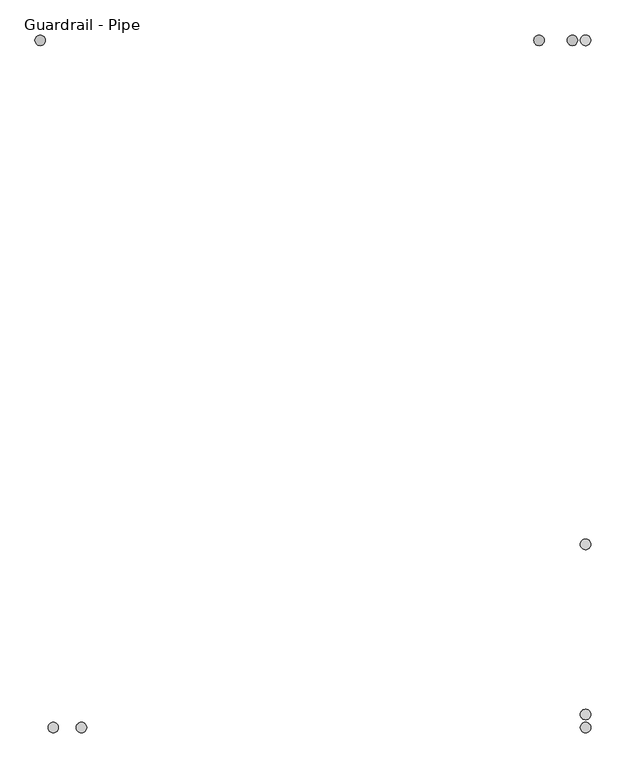
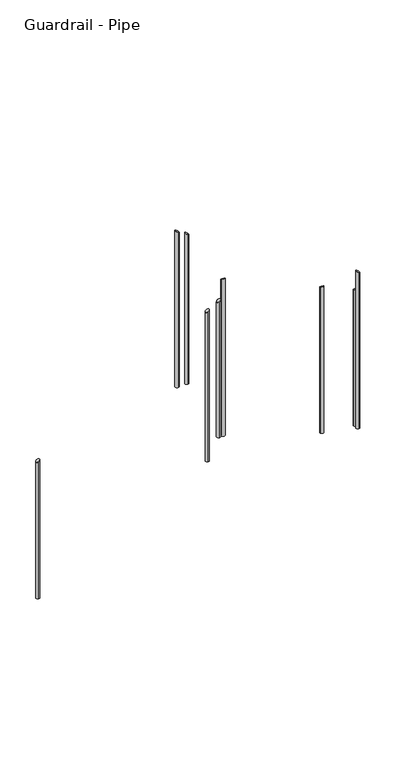
"""IFC4 building model written with IfcOpenShell, lengths in millimetres: railing geometry, Guardrail - Pipe."""

import ifcopenshell
import ifcopenshell.guid

model = None  # the IFC model being written
_history = None  # IfcOwnerHistory: only IFC2X3 demands one
_inside = {}  # id of a spatial element -> (the spatial element, [elements in it])
_under = {}  # id of a project, library or spatial element -> (it, [spatial elements below it])
_declared = {}  # id of a project -> (the project, [libraries it declares])
_typed = {}  # id of a type object -> (the type object, [elements of that type])
_made_of = {}  # id of a material, layer set ... -> (it, [elements and type objects made of it])


def new_model(schema):
    """Start an empty IFC model of exactly this schema.

    Asked for "IFC4X3", IfcOpenShell would pick the latest addendum, in which some entities
    have other attributes; the version numbers below select the first issue.
    IFC2X3 requires an IfcOwnerHistory on every rooted entity: one is made here for all.
    """
    global model, _history
    if schema == "IFC4X3":
        model = ifcopenshell.file(schema_version=(4, 3, 0, 0))
    else:
        model = ifcopenshell.file(schema=schema)
    _inside.clear()
    _under.clear()
    _declared.clear()
    _typed.clear()
    _made_of.clear()
    _history = None
    if model.schema == "IFC2X3":
        org = make("IfcOrganization", Name="unknown")
        user = make(
            "IfcPersonAndOrganization",
            ThePerson=make("IfcPerson", FamilyName="unknown"),
            TheOrganization=org,
        )
        app = make(
            "IfcApplication",
            ApplicationDeveloper=org,
            Version="unknown",
            ApplicationFullName="unknown",
            ApplicationIdentifier="unknown",
        )
        _history = make(
            "IfcOwnerHistory",
            OwningUser=user,
            OwningApplication=app,
            ChangeAction="ADDED",
            CreationDate=0,
        )
    return model


def make(cls, **values):
    """One entity of the class cls with the attributes given. An attribute that is None is left unset."""
    return model.create_entity(
        cls, **{name: value for name, value in values.items() if value is not None}
    )


def rooted(cls, **values):
    """An entity with a GlobalId (a new one), such as an element, a storey or a relation."""
    return make(cls, GlobalId=ifcopenshell.guid.new(), OwnerHistory=_history, **values)


def si_unit(unit_type, name, prefix=None):
    """IfcSIUnit, for example si_unit("LENGTHUNIT", "METRE", prefix="MILLI")."""
    return make("IfcSIUnit", UnitType=unit_type, Prefix=prefix, Name=name)


def assignment(units):
    """IfcUnitAssignment: the units of a project."""
    return None if units is None else make("IfcUnitAssignment", Units=units)


def point(xyz):
    """IfcCartesianPoint."""
    return None if xyz is None else make("IfcCartesianPoint", Coordinates=xyz)


def direction(xyz):
    """IfcDirection."""
    return None if xyz is None else make("IfcDirection", DirectionRatios=xyz)


def frame(location, z_axis=None, x_axis=None):
    """IfcAxis2Placement3D, a coordinate frame: its origin and axes. An axis left out is left unset."""
    return make(
        "IfcAxis2Placement3D",
        Location=point(location),
        Axis=direction(z_axis),
        RefDirection=direction(x_axis),
    )


def origin():
    """The frame at (0, 0, 0) with its axes left unset."""
    return frame((0.0, 0.0, 0.0))


def place(relative_to, where):
    """IfcLocalPlacement: puts the frame where relative to a parent placement (None: the world)."""
    return make(
        "IfcLocalPlacement", PlacementRelTo=relative_to, RelativePlacement=where
    )


def context(
    kind, dimensions, precision=None, world=None, true_north=None, identifier=None
):
    """IfcGeometricRepresentationContext, for example the 3D "Model" context."""
    return make(
        "IfcGeometricRepresentationContext",
        ContextIdentifier=identifier,
        ContextType=kind,
        CoordinateSpaceDimension=dimensions,
        Precision=precision,
        WorldCoordinateSystem=world,
        TrueNorth=true_north,
    )


def project(units=None, contexts=None):
    """IfcProject with its units and contexts."""
    return rooted(
        "IfcProject",
        Name="project",
        RepresentationContexts=contexts,
        UnitsInContext=assignment(units),
    )


def spatial(cls, under=None, at=None, **own):
    """A site, building, storey or space (cls), placed at a placement, below another one or the project."""
    s = rooted(cls, ObjectPlacement=at, **own)
    if under is not None:
        _under.setdefault(under.id(), (under, []))[1].append(s)
    return s


def circle_curve(where, radius):
    """IfcCircle in the frame where."""
    return make("IfcCircle", Position=where, Radius=radius)


def ellipse_curve(where, semi_axis1, semi_axis2):
    """IfcEllipse in the frame where."""
    return make(
        "IfcEllipse", Position=where, SemiAxis1=semi_axis1, SemiAxis2=semi_axis2
    )


def shape(context_of_items, identifier, shape_type, items):
    """IfcShapeRepresentation: the items that make up one representation, for example the "Body"."""
    return make(
        "IfcShapeRepresentation",
        ContextOfItems=context_of_items,
        RepresentationIdentifier=identifier,
        RepresentationType=shape_type,
        Items=items,
    )


def source(mapping_origin, context_of_items, identifier, shape_type, items):
    """IfcRepresentationMap: a shape defined once, which mapped items show again and again."""
    return make(
        "IfcRepresentationMap",
        MappingOrigin=mapping_origin,
        MappedRepresentation=shape(context_of_items, identifier, shape_type, items),
    )


def transform(
    local_origin,
    x_axis=None,
    y_axis=None,
    z_axis=None,
    scale=None,
    scale2=None,
    scale3=None,
    uniform=True,
):
    """IfcCartesianTransformationOperator3D, or its non-uniform kind. x_axis, y_axis, z_axis: its Axis1, 2, 3."""
    if uniform:
        return make(
            "IfcCartesianTransformationOperator3D",
            Axis1=direction(x_axis),
            Axis2=direction(y_axis),
            LocalOrigin=point(local_origin),
            Scale=scale,
            Axis3=direction(z_axis),
        )
    return make(
        "IfcCartesianTransformationOperator3DnonUniform",
        Axis1=direction(x_axis),
        Axis2=direction(y_axis),
        LocalOrigin=point(local_origin),
        Scale=scale,
        Axis3=direction(z_axis),
        Scale2=scale2,
        Scale3=scale3,
    )


def mapped(mapping_source, mapping_target):
    """IfcMappedItem: shows the shape of a source again, moved by a transform."""
    return make(
        "IfcMappedItem", MappingSource=mapping_source, MappingTarget=mapping_target
    )


def made_of(thing, what):
    """Note that an element or type object is made of a material, layer set ...; save() writes the relation."""
    if what is not None:
        _made_of.setdefault(what.id(), (what, []))[1].append(thing)
    return thing


def element(
    cls,
    number,
    at=None,
    inside=None,
    cuts=None,
    type_object=None,
    material=None,
    context=None,
    identifier="Body",
    shape_type=None,
    held_by="IfcProductDefinitionShape",
    body=None,
    shapes=None,
    **own,
):
    """One element of the class cls, such as IfcWall. Its Tag is "e" and its number.

    at: its placement. inside: the storey or other place that contains it. cuts: it is an
    opening in that element (IfcRelVoidsElement). A single representation is given by context,
    identifier, shape_type and body (its items); several are given by shapes. held_by: the class
    of the entity that holds the representations. save() writes the other relations.
    """
    e = rooted(cls, Tag="e%d" % number, ObjectPlacement=at, **own)
    if body is not None:
        shapes = [shape(context, identifier, shape_type, body)]
    if shapes is not None:
        e.Representation = make(held_by, Representations=shapes)
    if inside is not None:
        _inside.setdefault(inside.id(), (inside, []))[1].append(e)
    if cuts is not None:
        rooted(
            "IfcRelVoidsElement", RelatingBuildingElement=cuts, RelatedOpeningElement=e
        )
    if type_object is not None:
        _typed.setdefault(type_object.id(), (type_object, []))[1].append(e)
    return made_of(e, material)


def aggregate(whole, parts):
    """IfcRelAggregates: a whole, such as a stair, and the parts it consists of."""
    return rooted("IfcRelAggregates", RelatingObject=whole, RelatedObjects=parts)


def save(model, path):
    """Write the relations noted so far, then the file.

    IfcRelAggregates (storeys below a building ...), IfcRelContainedInSpatialStructure (elements
    in a storey), IfcRelDefinesByType, IfcRelAssociatesMaterial and IfcRelDeclares: one each for
    every whole, place, type object, material and project.
    """
    for whole, parts in _under.values():
        aggregate(whole, parts)
    for where, things in _inside.values():
        rooted(
            "IfcRelContainedInSpatialStructure",
            RelatedElements=things,
            RelatingStructure=where,
        )
    for kind, things in _typed.values():
        rooted("IfcRelDefinesByType", RelatedObjects=things, RelatingType=kind)
    for what, things in _made_of.values():
        rooted("IfcRelAssociatesMaterial", RelatedObjects=things, RelatingMaterial=what)
    for by, libraries in _declared.values():
        rooted("IfcRelDeclares", RelatingContext=by, RelatedDefinitions=libraries)
    model.write(path)


def plane_surface(at):
    """IfcPlane: the flat surface through the origin of the frame at, square to its z axis."""
    return make("IfcPlane", Position=at)


def cylinder_surface(at, radius):
    """IfcCylindricalSurface: all points at the distance radius from the z axis of the frame at."""
    return make("IfcCylindricalSurface", Position=at, Radius=radius)


def advanced_brep(points, edges, surfaces, faces):
    """IfcAdvancedBrep: a solid bounded by faces that lie on surfaces and meet in shared edges.

    An edge is (start, end): straight between two places in points (the first is 0);
    or (start, end, curve); or (start, end, curve, False) where it runs against its curve.
    A face is (place in surfaces, loops), or (place, loops, False) where it looks against
    its surface's normal. A loop lists edges by number (the first is 1), with a minus sign
    where the edge is run from its end to its start. The first loop is the outer one.
    """
    corners = [point(p) for p in points]
    vertices = [make("IfcVertexPoint", VertexGeometry=c) for c in corners]
    made = []
    for start, end, *more in edges:
        made.append(
            make(
                "IfcEdgeCurve",
                EdgeStart=vertices[start],
                EdgeEnd=vertices[end],
                EdgeGeometry=more[0] if more else make("IfcPolyline", Points=[corners[start], corners[end]]),
                SameSense=more[1] if len(more) > 1 else True,
            )
        )
    hull = []
    for where, loops, *sense in faces:
        bounds = []
        for j, loop in enumerate(loops):
            ring = [make("IfcOrientedEdge", EdgeElement=made[abs(k) - 1], Orientation=k > 0) for k in loop]
            bounds.append(
                make(
                    "IfcFaceOuterBound" if j == 0 else "IfcFaceBound",
                    Bound=make("IfcEdgeLoop", EdgeList=ring),
                    Orientation=True,
                )
            )
        hull.append(make("IfcAdvancedFace", Bounds=bounds, FaceSurface=surfaces[where], SameSense=sense[0] if sense else True))
    return make("IfcAdvancedBrep", Outer=make("IfcClosedShell", CfsFaces=hull))


def guardrail_pipe_adc590b7(model_context):
    return source(origin(), model_context, "Body", "AdvancedBrep", [
        advanced_brep(
        [(1347.2063517, 1798.1558469, 4015.3894354), (1347.2063517, 1798.1558469, 2887.8947368), (1347.2063517, 1772.7558469, 2887.8947368), (1347.2063517, 1772.7558469, 4015.3894354)],
        [
            (0, 1),
            (1, 2, circle_curve(frame((1347.2063517, 1785.4558469, 2887.8947368), z_axis=(0.0, 0.0, 1.0), x_axis=(0.0, -1.0, 0.0)), 12.7)),
            (2, 3),
            (3, 0, ellipse_curve(frame((1347.2063517, 1785.4558469, 4015.3894354), z_axis=(-0.504957003838693, 0.0, -0.8631444979111262), x_axis=(-0.8631444979111261, 0.0, 0.5049570038386928)), 14.713643, 12.7)),
            (0, 3, ellipse_curve(frame((1347.2063517, 1785.4558469, 4015.3894354), z_axis=(-0.504957003838693, 0.0, -0.8631444979111262), x_axis=(-0.8631444979111261, 0.0, 0.5049570038386928)), 14.713643, 12.7)),
            (2, 1, circle_curve(frame((1347.2063517, 1785.4558469, 2887.8947368), z_axis=(0.0, 0.0, 1.0), x_axis=(0.0, -1.0, 0.0)), 12.7)),
        ],
        [
            cylinder_surface(frame((1347.2063517, 1785.4558469, 2659.2947368), z_axis=(0.0, 0.0, 1.0), x_axis=(0.0, -1.0, 0.0)), 12.7),
            plane_surface(frame((1321.8063517, 1760.0558469, 4030.2489495), z_axis=(0.504957003838693, 0.0, 0.8631444979111262), x_axis=(0.0, 1.0, 0.0))),
            plane_surface(frame((1372.6063517, 1760.0558469, 2887.8947368), z_axis=(0.0, 0.0, -1.0), x_axis=(0.0, 1.0, 0.0))),
        ],
        [
            (0, [[1, 2, 3, 4]]),
            (0, [[-1, 5, -3, 6]]),
            (1, [[-4, -5]]),
            (2, [[-2, -6]]),
        ],
    ),
        advanced_brep(
        [(2553.7063517, 2228.6830185, 2920.2183227), (2553.7063517, 2228.6830185, 1823.1578947), (2579.1063517, 2228.6830185, 1823.1578947), (2579.1063517, 2228.6830185, 2920.2183227)],
        [
            (0, 1),
            (1, 2, circle_curve(frame((2566.4063517, 2228.6830185, 1823.1578947), z_axis=(0.0, 0.0, 1.0), x_axis=(1.0, 0.0, 0.0)), 12.7)),
            (2, 3),
            (3, 0, ellipse_curve(frame((2566.4063517, 2228.6830185, 2920.2183227), z_axis=(0.0, -0.4883802566468777, -0.8726309213622504), x_axis=(0.0, -0.8726309213622505, 0.4883802566468774)), 14.5536901, 12.7)),
            (0, 3, ellipse_curve(frame((2566.4063517, 2228.6830185, 2920.2183227), z_axis=(0.0, -0.4883802566468777, -0.8726309213622504), x_axis=(0.0, -0.8726309213622505, 0.4883802566468774)), 14.5536901, 12.7)),
            (2, 1, circle_curve(frame((2566.4063517, 2228.6830185, 1823.1578947), z_axis=(0.0, 0.0, 1.0), x_axis=(1.0, 0.0, 0.0)), 12.7)),
        ],
        [
            cylinder_surface(frame((2566.4063517, 2228.6830185, 1594.5578947), z_axis=(0.0, 0.0, 1.0), x_axis=(1.0, 0.0, 0.0)), 12.7),
            plane_surface(frame((2591.8063517, 2203.2830185, 2934.4337926), z_axis=(0.0, 0.4883802566468777, 0.8726309213622504), x_axis=(-1.0, 0.0, 0.0))),
            plane_surface(frame((2591.8063517, 2254.0830185, 1823.1578947), z_axis=(0.0, 0.0, -1.0), x_axis=(-1.0, 0.0, 0.0))),
        ],
        [
            (0, [[1, 2, 3, 4]]),
            (0, [[-1, 5, -3, 6]]),
            (1, [[-4, -5]]),
            (2, [[-2, -6]]),
        ],
    ),
        advanced_brep(
        [(2453.8563517, 3435.1830185, 2038.0210143), (2453.8563517, 3435.1830185, 910.5263158), (2453.8563517, 3460.5830185, 910.5263158), (2453.8563517, 3460.5830185, 2038.0210143)],
        [
            (0, 1),
            (1, 2, circle_curve(frame((2453.8563517, 3447.8830185, 910.5263158), z_axis=(0.0, 0.0, 1.0), x_axis=(0.0, 1.0, 0.0)), 12.7)),
            (2, 3),
            (3, 0, ellipse_curve(frame((2453.8563517, 3447.8830185, 2038.0210143), z_axis=(0.504957003838693, 0.0, -0.8631444979111262), x_axis=(0.8631444979111261, 0.0, 0.5049570038386928)), 14.713643, 12.7)),
            (0, 3, ellipse_curve(frame((2453.8563517, 3447.8830185, 2038.0210143), z_axis=(0.504957003838693, 0.0, -0.8631444979111262), x_axis=(0.8631444979111261, 0.0, 0.5049570038386928)), 14.713643, 12.7)),
            (2, 1, circle_curve(frame((2453.8563517, 3447.8830185, 910.5263158), z_axis=(0.0, 0.0, 1.0), x_axis=(0.0, 1.0, 0.0)), 12.7)),
        ],
        [
            cylinder_surface(frame((2453.8563517, 3447.8830185, 681.9263158), z_axis=(0.0, 0.0, 1.0), x_axis=(0.0, 1.0, 0.0)), 12.7),
            plane_surface(frame((2479.2563517, 3473.2830185, 2052.8805285), z_axis=(-0.504957003838693, 0.0, 0.8631444979111262), x_axis=(0.0, -1.0, 0.0))),
            plane_surface(frame((2428.4563517, 3473.2830185, 910.5263158), z_axis=(0.0, 0.0, -1.0), x_axis=(0.0, -1.0, 0.0))),
        ],
        [
            (0, [[1, 2, 3, 4]]),
            (0, [[-1, 5, -3, 6]]),
            (1, [[-4, -5]]),
            (2, [[-2, -6]]),
        ],
    ),
        advanced_brep(
        [(2566.4063517, 1798.1558469, 3302.1327552), (2566.4063517, 1798.1558469, 2127.3684211), (2566.4063517, 1772.7558469, 2127.3684211), (2566.4063517, 1772.7558469, 3302.1327552)],
        [
            (0, 1),
            (1, 2, circle_curve(frame((2566.4063517, 1785.4558469, 2127.3684211), z_axis=(0.0, 0.0, 1.0), x_axis=(0.0, -1.0, 0.0)), 12.7)),
            (2, 3),
            (3, 0, ellipse_curve(frame((2566.4063517, 1785.4558469, 3302.1327552), z_axis=(-0.504957003838693, 0.0, -0.8631444979111262), x_axis=(-0.8631444979111261, 0.0, 0.5049570038386928)), 14.713643, 12.7)),
            (0, 3, ellipse_curve(frame((2566.4063517, 1785.4558469, 3302.1327552), z_axis=(-0.504957003838693, 0.0, -0.8631444979111262), x_axis=(-0.8631444979111261, 0.0, 0.5049570038386928)), 14.713643, 12.7)),
            (2, 1, circle_curve(frame((2566.4063517, 1785.4558469, 2127.3684211), z_axis=(0.0, 0.0, 1.0), x_axis=(0.0, -1.0, 0.0)), 12.7)),
        ],
        [
            cylinder_surface(frame((2566.4063517, 1785.4558469, 1898.7684211), z_axis=(0.0, 0.0, 1.0), x_axis=(0.0, -1.0, 0.0)), 12.7),
            plane_surface(frame((2541.0063517, 1760.0558469, 3316.9922694), z_axis=(0.504957003838693, 0.0, 0.8631444979111262), x_axis=(0.0, 1.0, 0.0))),
            plane_surface(frame((2591.8063517, 1760.0558469, 2127.3684211), z_axis=(0.0, 0.0, -1.0), x_axis=(0.0, 1.0, 0.0))),
        ],
        [
            (0, [[1, 2, 3, 4]]),
            (0, [[-1, 5, -3, 6]]),
            (1, [[-4, -5]]),
            (2, [[-2, -6]]),
        ],
    ),
        advanced_brep(
        [(2553.7063517, 1817.2058469, 3150.5073508), (2553.7063517, 1817.2058469, 2127.3684211), (2579.1063517, 1817.2058469, 2127.3684211), (2579.1063517, 1817.2058469, 3150.5073508)],
        [
            (0, 1),
            (1, 2, circle_curve(frame((2566.4063517, 1817.2058469, 2127.3684211), z_axis=(0.0, 0.0, 1.0), x_axis=(1.0, 0.0, 0.0)), 12.7)),
            (2, 3),
            (3, 0, ellipse_curve(frame((2566.4063517, 1817.2058469, 3150.5073508), z_axis=(0.0, -0.4883802566468777, -0.8726309213622504), x_axis=(0.0, -0.8726309213622505, 0.4883802566468774)), 14.5536901, 12.7)),
            (0, 3, ellipse_curve(frame((2566.4063517, 1817.2058469, 3150.5073508), z_axis=(0.0, -0.4883802566468777, -0.8726309213622504), x_axis=(0.0, -0.8726309213622505, 0.4883802566468774)), 14.5536901, 12.7)),
            (2, 1, circle_curve(frame((2566.4063517, 1817.2058469, 2127.3684211), z_axis=(0.0, 0.0, 1.0), x_axis=(1.0, 0.0, 0.0)), 12.7)),
        ],
        [
            cylinder_surface(frame((2566.4063517, 1817.2058469, 1898.7684211), z_axis=(0.0, 0.0, 1.0), x_axis=(1.0, 0.0, 0.0)), 12.7),
            plane_surface(frame((2591.8063517, 1791.8058469, 3164.7228206), z_axis=(0.0, 0.4883802566468777, 0.8726309213622504), x_axis=(-1.0, 0.0, 0.0))),
            plane_surface(frame((2591.8063517, 1842.6058469, 2127.3684211), z_axis=(0.0, 0.0, -1.0), x_axis=(-1.0, 0.0, 0.0))),
        ],
        [
            (0, [[1, 2, 3, 4]]),
            (0, [[-1, 5, -3, 6]]),
            (1, [[-4, -5]]),
            (2, [[-2, -6]]),
        ],
    ),
        advanced_brep(
        [(2553.7063517, 3447.8830185, 2237.8757718), (2553.7063517, 3447.8830185, 1062.6315789), (2579.1063517, 3447.8830185, 1062.6315789), (2579.1063517, 3447.8830185, 2237.8757718)],
        [
            (0, 1),
            (1, 2, circle_curve(frame((2566.4063517, 3447.8830185, 1062.6315789), z_axis=(0.0, 0.0, 1.0), x_axis=(1.0, 0.0, 0.0)), 12.7)),
            (2, 3),
            (3, 0, ellipse_curve(frame((2566.4063517, 3447.8830185, 2237.8757718), z_axis=(0.0, -0.4883802566468777, -0.8726309213622504), x_axis=(0.0, -0.8726309213622505, 0.4883802566468774)), 14.5536901, 12.7)),
            (0, 3, ellipse_curve(frame((2566.4063517, 3447.8830185, 2237.8757718), z_axis=(0.0, -0.4883802566468777, -0.8726309213622504), x_axis=(0.0, -0.8726309213622505, 0.4883802566468774)), 14.5536901, 12.7)),
            (2, 1, circle_curve(frame((2566.4063517, 3447.8830185, 1062.6315789), z_axis=(0.0, 0.0, 1.0), x_axis=(1.0, 0.0, 0.0)), 12.7)),
        ],
        [
            cylinder_surface(frame((2566.4063517, 3447.8830185, 834.0315789), z_axis=(0.0, 0.0, 1.0), x_axis=(1.0, 0.0, 0.0)), 12.7),
            plane_surface(frame((2591.8063517, 3422.4830185, 2252.0912416), z_axis=(0.0, 0.4883802566468777, 0.8726309213622504), x_axis=(-1.0, 0.0, 0.0))),
            plane_surface(frame((2591.8063517, 3473.2830185, 1062.6315789), z_axis=(0.0, 0.0, -1.0), x_axis=(-1.0, 0.0, 0.0))),
        ],
        [
            (0, [[1, 2, 3, 4]]),
            (0, [[-1, 5, -3, 6]]),
            (1, [[-4, -5]]),
            (2, [[-2, -6]]),
        ],
    ),
        advanced_brep(
        [(2534.6563517, 3435.1830185, 2085.2906499), (2534.6563517, 3435.1830185, 1062.6315789), (2534.6563517, 3460.5830185, 1062.6315789), (2534.6563517, 3460.5830185, 2085.2906499)],
        [
            (0, 1),
            (1, 2, circle_curve(frame((2534.6563517, 3447.8830185, 1062.6315789), z_axis=(0.0, 0.0, 1.0), x_axis=(0.0, 1.0, 0.0)), 12.7)),
            (2, 3),
            (3, 0, ellipse_curve(frame((2534.6563517, 3447.8830185, 2085.2906499), z_axis=(0.504957003838693, 0.0, -0.8631444979111262), x_axis=(0.8631444979111261, 0.0, 0.5049570038386928)), 14.713643, 12.7)),
            (0, 3, ellipse_curve(frame((2534.6563517, 3447.8830185, 2085.2906499), z_axis=(0.504957003838693, 0.0, -0.8631444979111262), x_axis=(0.8631444979111261, 0.0, 0.5049570038386928)), 14.713643, 12.7)),
            (2, 1, circle_curve(frame((2534.6563517, 3447.8830185, 1062.6315789), z_axis=(0.0, 0.0, 1.0), x_axis=(0.0, 1.0, 0.0)), 12.7)),
        ],
        [
            cylinder_surface(frame((2534.6563517, 3447.8830185, 834.0315789), z_axis=(0.0, 0.0, 1.0), x_axis=(0.0, 1.0, 0.0)), 12.7),
            plane_surface(frame((2560.0563517, 3473.2830185, 2100.1501641), z_axis=(-0.504957003838693, 0.0, 0.8631444979111262), x_axis=(0.0, -1.0, 0.0))),
            plane_surface(frame((2509.2563517, 3473.2830185, 1062.6315789), z_axis=(0.0, 0.0, -1.0), x_axis=(0.0, -1.0, 0.0))),
        ],
        [
            (0, [[1, 2, 3, 4]]),
            (0, [[-1, 5, -3, 6]]),
            (1, [[-4, -5]]),
            (2, [[-2, -6]]),
        ],
    ),
        advanced_brep(
        [(1279.1063517, 1798.1558469, 4055.2293139), (1279.1063517, 1798.1558469, 2887.8947368), (1279.1063517, 1772.7558469, 2887.8947368), (1279.1063517, 1772.7558469, 4055.2293139)],
        [
            (0, 1),
            (1, 2, circle_curve(frame((1279.1063517, 1785.4558469, 2887.8947368), z_axis=(0.0, 0.0, 1.0), x_axis=(0.0, -1.0, 0.0)), 12.7)),
            (2, 3),
            (3, 0, ellipse_curve(frame((1279.1063517, 1785.4558469, 4055.2293139), z_axis=(-0.504957003838693, 0.0, -0.8631444979111262), x_axis=(-0.8631444979111261, 0.0, 0.5049570038386928)), 14.713643, 12.7)),
            (0, 3, ellipse_curve(frame((1279.1063517, 1785.4558469, 4055.2293139), z_axis=(-0.504957003838693, 0.0, -0.8631444979111262), x_axis=(-0.8631444979111261, 0.0, 0.5049570038386928)), 14.713643, 12.7)),
            (2, 1, circle_curve(frame((1279.1063517, 1785.4558469, 2887.8947368), z_axis=(0.0, 0.0, 1.0), x_axis=(0.0, -1.0, 0.0)), 12.7)),
        ],
        [
            cylinder_surface(frame((1279.1063517, 1785.4558469, 2659.2947368), z_axis=(0.0, 0.0, 1.0), x_axis=(0.0, -1.0, 0.0)), 12.7),
            plane_surface(frame((1253.7063517, 1760.0558469, 4070.0888281), z_axis=(0.504957003838693, 0.0, 0.8631444979111262), x_axis=(0.0, 1.0, 0.0))),
            plane_surface(frame((1304.5063517, 1760.0558469, 2887.8947368), z_axis=(0.0, 0.0, -1.0), x_axis=(0.0, 1.0, 0.0))),
        ],
        [
            (0, [[1, 2, 3, 4]]),
            (0, [[-1, 5, -3, 6]]),
            (1, [[-4, -5]]),
            (2, [[-2, -6]]),
        ],
    ),
        advanced_brep(
        [(1247.3563517, 3435.1830185, 1332.1940912), (1247.3563517, 3435.1830185, 302.1052632), (1247.3563517, 3460.5830185, 302.1052632), (1247.3563517, 3460.5830185, 1332.1940912)],
        [
            (0, 1),
            (1, 2, circle_curve(frame((1247.3563517, 3447.8830185, 302.1052632), z_axis=(0.0, 0.0, 1.0), x_axis=(0.0, 1.0, 0.0)), 12.7)),
            (2, 3),
            (3, 0, ellipse_curve(frame((1247.3563517, 3447.8830185, 1332.1940912), z_axis=(0.504957003838693, 0.0, -0.8631444979111262), x_axis=(0.8631444979111261, 0.0, 0.5049570038386928)), 14.713643, 12.7)),
            (0, 3, ellipse_curve(frame((1247.3563517, 3447.8830185, 1332.1940912), z_axis=(0.504957003838693, 0.0, -0.8631444979111262), x_axis=(0.8631444979111261, 0.0, 0.5049570038386928)), 14.713643, 12.7)),
            (2, 1, circle_curve(frame((1247.3563517, 3447.8830185, 302.1052632), z_axis=(0.0, 0.0, 1.0), x_axis=(0.0, 1.0, 0.0)), 12.7)),
        ],
        [
            cylinder_surface(frame((1247.3563517, 3447.8830185, 73.5052632), z_axis=(0.0, 0.0, 1.0), x_axis=(0.0, 1.0, 0.0)), 12.7),
            plane_surface(frame((1272.7563517, 3473.2830185, 1347.0536054), z_axis=(-0.504957003838693, 0.0, 0.8631444979111262), x_axis=(0.0, -1.0, 0.0))),
            plane_surface(frame((1221.9563517, 3473.2830185, 302.1052632), z_axis=(0.0, 0.0, -1.0), x_axis=(0.0, -1.0, 0.0))),
        ],
        [
            (0, [[1, 2, 3, 4]]),
            (0, [[-1, 5, -3, 6]]),
            (1, [[-4, -5]]),
            (2, [[-2, -6]]),
        ],
    ),
    ])


if __name__ == "__main__":
    model = new_model("IFC4")
    model_context = context("Model", 3, world=origin())
    ifc_project = project(units=[si_unit("LENGTHUNIT", "METRE", prefix="MILLI")], contexts=[model_context])
    site = spatial("IfcSite", under=ifc_project)
    building = spatial("IfcBuilding", under=site)
    placement = place(None, origin())
    guardrail_pipe_shape = guardrail_pipe_adc590b7(model_context)
    element("IfcRailing", 1, ObjectType="Guardrail - Pipe", at=placement, inside=building, context=model_context, shape_type="MappedRepresentation", body=[
        mapped(guardrail_pipe_shape, transform((0.0, 0.0, 0.0), x_axis=(1.0, 0.0, 0.0), y_axis=(0.0, 1.0, 0.0), z_axis=(0.0, 0.0, 1.0))),
    ])
    save(model, "model.ifc")
